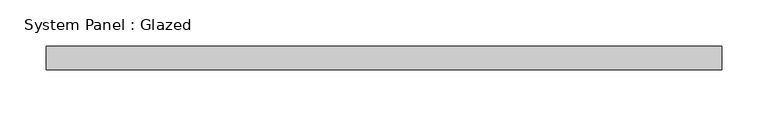
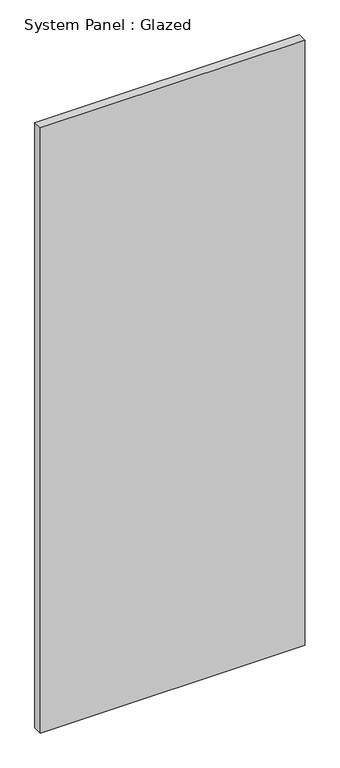
"""IFC4 building model written with IfcOpenShell, lengths in millimetres: plate geometry, System Panel : Glazed."""

from ifc_helpers import new_model, si_unit, origin, origin_with_axes, place, context, project, spatial, polyline, outline, extrude, source, transform, mapped, element, save


def system_panel_glazed_51103254(model_context):
    return source(origin(), model_context, "Body", "SweptSolid", [
        extrude(outline(polyline([(366.1833333, -44.45), (-366.1833333, -44.45), (-366.1833333, -19.05), (366.1833333, -19.05), (366.1833333, -44.45)])), origin_with_axes(), (0.0, 0.0, 1.0), 1771.65),
    ])


if __name__ == "__main__":
    model = new_model("IFC4")
    model_context = context("Model", 3, world=origin())
    ifc_project = project(units=[si_unit("LENGTHUNIT", "METRE", prefix="MILLI")], contexts=[model_context])
    site = spatial("IfcSite", under=ifc_project)
    building = spatial("IfcBuilding", under=site)
    placement = place(None, origin())
    system_panel_glazed_shape = system_panel_glazed_51103254(model_context)
    element("IfcPlate", 1, ObjectType="System Panel : Glazed", at=placement, inside=building, context=model_context, shape_type="MappedRepresentation", body=[
        mapped(system_panel_glazed_shape, transform((0.0, 0.0, 0.0), x_axis=(1.0, 0.0, 0.0), y_axis=(0.0, 1.0, 0.0), z_axis=(0.0, 0.0, 1.0))),
    ])
    save(model, "model.ifc")
